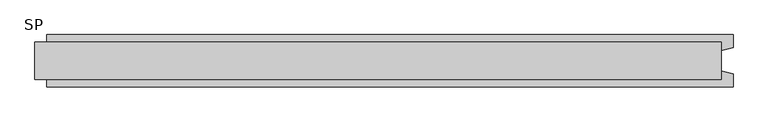
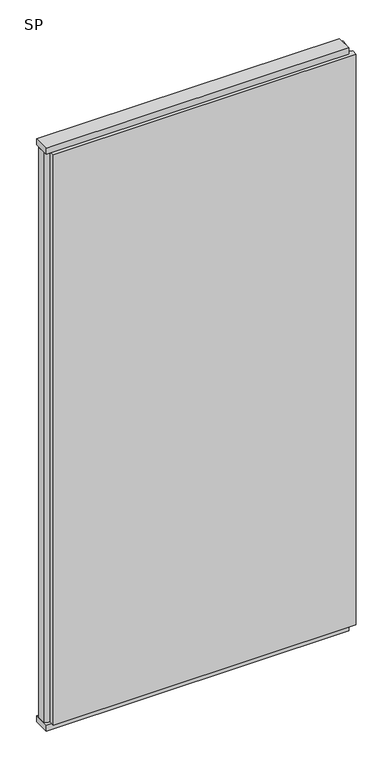
"""IFC4 building model written with IfcOpenShell, lengths in millimetres: plate geometry, SP."""

from ifc_helpers import new_model, si_unit, frame, origin, origin_with_axes, place, context, project, spatial, polyline, outline, extrude, source, transform, mapped, element, save


def sp_0d4012c5(model_context):
    return source(origin(), model_context, "Body", "SweptSolid", [
        extrude(outline(polyline([(590.0, 32.0), (590.0, -32.0), (-590.0, -32.0), (-590.0, 32.0), (590.0, 32.0)])), origin_with_axes(), (0.0, 0.0, 1.0), 25.0),
        extrude(outline(polyline([(590.0, 32.0), (590.0, -32.0), (-590.0, -32.0), (-590.0, 32.0), (590.0, 32.0)])), frame((0.0, 0.0, 2375.0), z_axis=(0.0, 0.0, 1.0), x_axis=(1.0, 0.0, 0.0)), (0.0, 0.0, 1.0), 25.0),
        extrude(outline(polyline([(610.0, 45.0), (610.0, 22.9993165), (590.0, 17.6401049), (590.0, -17.6401049), (610.0, -22.9993165), (610.0, -45.0), (-570.0, -45.0), (-570.0, -22.9993165), (-590.0, -17.6401049), (-590.0, 17.6401049), (-570.0, 22.9993165), (-570.0, 45.0), (610.0, 45.0)])), frame((0.0, 0.0, 25.0), z_axis=(0.0, 0.0, 1.0), x_axis=(1.0, 0.0, 0.0)), (0.0, 0.0, 1.0), 2350.0),
    ])


if __name__ == "__main__":
    model = new_model("IFC4")
    model_context = context("Model", 3, world=origin())
    ifc_project = project(units=[si_unit("LENGTHUNIT", "METRE", prefix="MILLI")], contexts=[model_context])
    site = spatial("IfcSite", under=ifc_project)
    building = spatial("IfcBuilding", under=site)
    placement = place(None, origin())
    sp_shape = sp_0d4012c5(model_context)
    element("IfcPlate", 1, ObjectType="SP", at=placement, inside=building, context=model_context, shape_type="MappedRepresentation", body=[
        mapped(sp_shape, transform((0.0, 0.0, 0.0), x_axis=(1.0, 0.0, 0.0), y_axis=(0.0, 1.0, 0.0), z_axis=(0.0, 0.0, 1.0))),
    ])
    save(model, "model.ifc")
